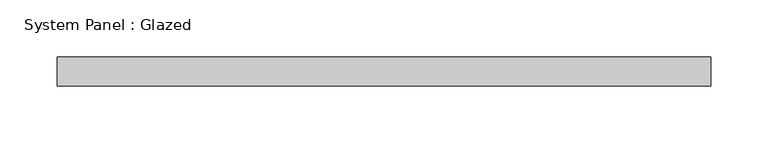
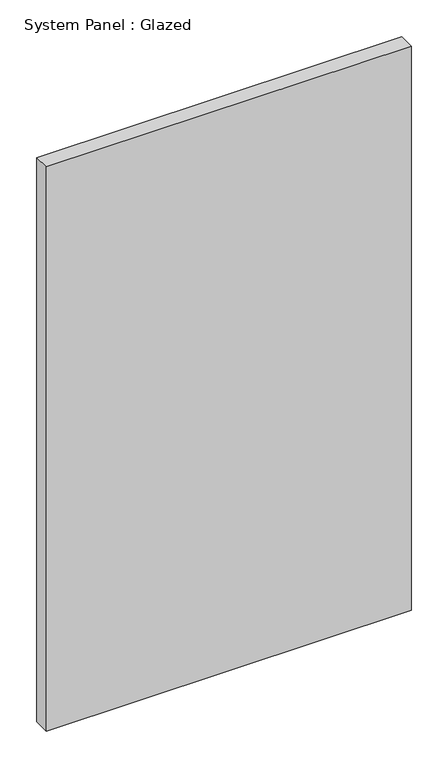
"""IFC4 building model written with IfcOpenShell, lengths in millimetres: plate geometry, System Panel : Glazed."""

from ifc_helpers import new_model, si_unit, origin, origin_with_axes, place, context, project, spatial, polyline, outline, extrude, source, transform, mapped, element, save


def system_panel_glazed_4f3003f2(model_context):
    return source(origin(), model_context, "Body", "SweptSolid", [
        extrude(outline(polyline([(286.5, 19.05), (-286.5, 19.05), (-286.5, 44.45), (286.5, 44.45), (286.5, 19.05)])), origin_with_axes(), (0.0, 0.0, 1.0), 936.5),
    ])


if __name__ == "__main__":
    model = new_model("IFC4")
    model_context = context("Model", 3, world=origin())
    ifc_project = project(units=[si_unit("LENGTHUNIT", "METRE", prefix="MILLI")], contexts=[model_context])
    site = spatial("IfcSite", under=ifc_project)
    building = spatial("IfcBuilding", under=site)
    placement = place(None, origin())
    system_panel_glazed_shape = system_panel_glazed_4f3003f2(model_context)
    element("IfcPlate", 1, ObjectType="System Panel : Glazed", at=placement, inside=building, context=model_context, shape_type="MappedRepresentation", body=[
        mapped(system_panel_glazed_shape, transform((0.0, 0.0, 0.0), x_axis=(1.0, 0.0, 0.0), y_axis=(0.0, 1.0, 0.0), z_axis=(0.0, 0.0, 1.0))),
    ])
    save(model, "model.ifc")
